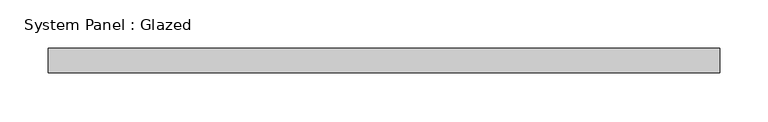
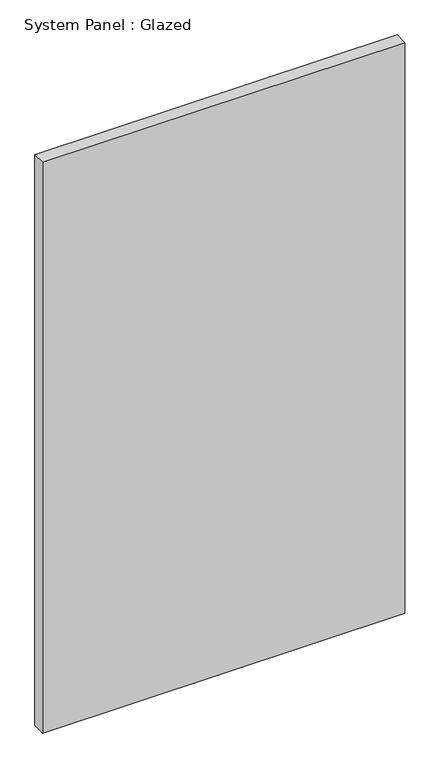
"""IFC4 building model written with IfcOpenShell, lengths in millimetres: plate geometry, System Panel : Glazed."""

from ifc_helpers import new_model, si_unit, origin, origin_with_axes, place, context, project, spatial, polyline, outline, extrude, source, transform, mapped, element, save


def system_panel_glazed_4b03a3f1(model_context):
    return source(origin(), model_context, "Body", "SweptSolid", [
        extrude(outline(polyline([(346.86875, 19.05), (-346.86875, 19.05), (-346.86875, 44.45), (346.86875, 44.45), (346.86875, 19.05)])), origin_with_axes(), (0.0, 0.0, 1.0), 1155.7),
    ])


if __name__ == "__main__":
    model = new_model("IFC4")
    model_context = context("Model", 3, world=origin())
    ifc_project = project(units=[si_unit("LENGTHUNIT", "METRE", prefix="MILLI")], contexts=[model_context])
    site = spatial("IfcSite", under=ifc_project)
    building = spatial("IfcBuilding", under=site)
    placement = place(None, origin())
    system_panel_glazed_shape = system_panel_glazed_4b03a3f1(model_context)
    element("IfcPlate", 1, ObjectType="System Panel : Glazed", at=placement, inside=building, context=model_context, shape_type="MappedRepresentation", body=[
        mapped(system_panel_glazed_shape, transform((0.0, 0.0, 0.0), x_axis=(1.0, 0.0, 0.0), y_axis=(0.0, 1.0, 0.0), z_axis=(0.0, 0.0, 1.0))),
    ])
    save(model, "model.ifc")
